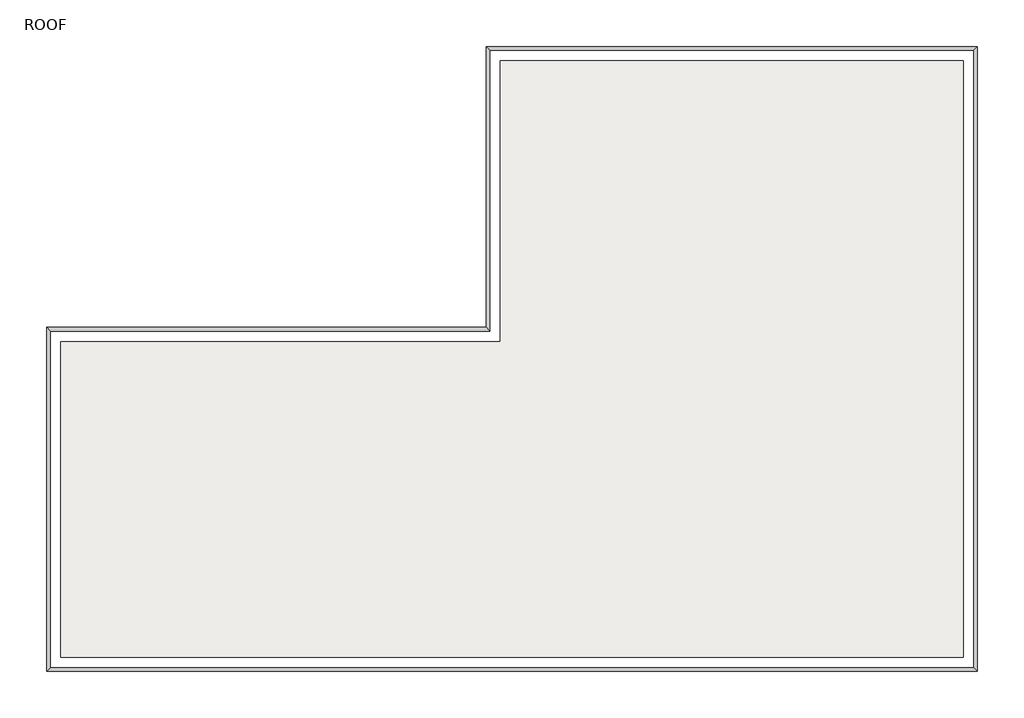
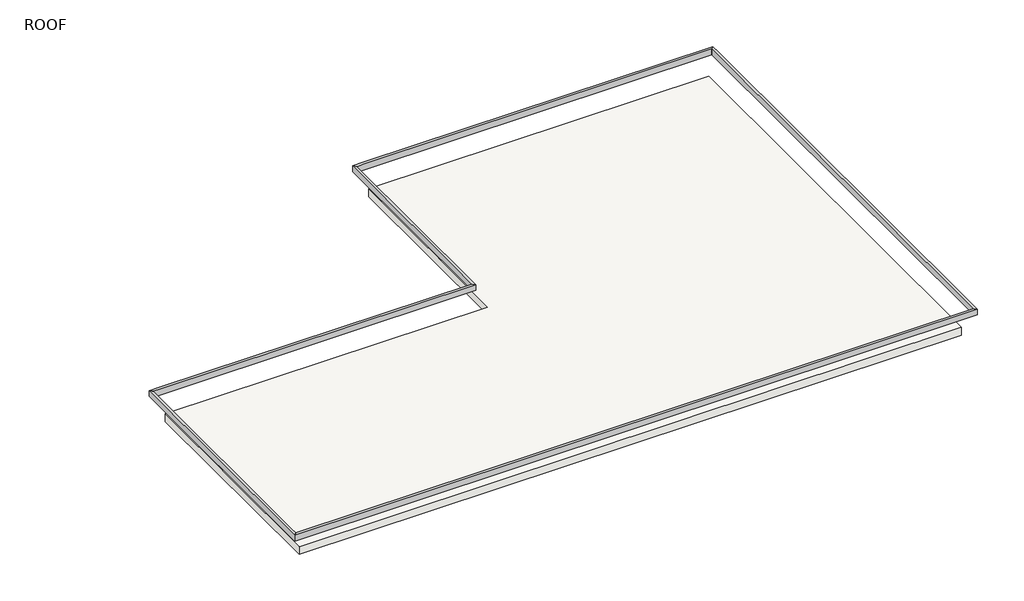
# One storey: 6 proxies, 1 roof.
"""IFC4 building model written with IfcOpenShell, lengths in millimetres."""

from ifc_helpers import new_model, si_unit, frame, origin, place, context, project, spatial, polyline, outline, extrude, faceted_brep, element, save

model = new_model("IFC4")

# Units and contexts
model_context = context("Model", 3, world=origin())
ifc_project = project(units=[si_unit("LENGTHUNIT", "METRE", prefix="MILLI")], contexts=[model_context])

# Site, building, storey
site = spatial("IfcSite", under=ifc_project)
building = spatial("IfcBuilding", under=site)
storey = spatial("IfcBuildingStorey", under=building, Name="ROOF", Elevation=5791.2)

# Proxies
placement = place(None, origin())
element("IfcBuildingElementProxy", 1, Name="Wall Sweeps", at=placement, inside=storey, context=model_context, shape_type="Brep", body=[
    faceted_brep([(6441.8644897, 565.8202768, 6807.2), (6441.8644897, 565.8202768, 6604.0), (6533.9394897, 473.7452768, 6604.0), (6533.9394897, 473.7452768, 6807.2), (18703.7144897, 565.8202768, 6807.2), (18611.6394897, 473.7452768, 6807.2), (18611.6394897, 473.7452768, 6604.0), (18703.7144897, 565.8202768, 6604.0), (6794.2894897, 565.8202768, 6807.2), (6794.2894897, 565.8202768, 6604.0), (6794.2894897, 473.7452768, 6604.0), (6794.2894897, 473.7452768, 6807.2)], [[[0, 1, 2, 3]], [[4, 5, 6, 7]], [[1, 0, 8, 4, 7, 9]], [[2, 1, 9, 7, 6, 10]], [[3, 2, 10, 6, 5, 11]], [[0, 3, 11, 5, 4, 8]]]),
])
element("IfcBuildingElementProxy", 2, Name="Wall Sweeps", at=placement, inside=storey, context=model_context, shape_type="SweptSolid", body=[
    extrude(outline(polyline([(18611.6394897, -14934.5297232), (18703.7144897, -15026.6047232), (-4530.9355103, -15026.6047232), (-4438.8605103, -14934.5297232), (18611.6394897, -14934.5297232)])), frame((0.0, 0.0, 6604.0), z_axis=(0.0, 0.0, 1.0), x_axis=(1.0, 0.0, 0.0)), (0.0, 0.0, 1.0), 203.2),
])
element("IfcBuildingElementProxy", 3, Name="Wall Sweeps", at=placement, inside=storey, context=model_context, shape_type="Brep", body=[
    faceted_brep([(-4530.9355103, -15026.6047232, 6807.2), (-4530.9355103, -15026.6047232, 6604.0), (-4438.8605103, -14934.5297232, 6604.0), (-4438.8605103, -14934.5297232, 6807.2), (-4530.9355103, -6444.5797232, 6807.2), (-4438.8605103, -6536.6547232, 6807.2), (-4438.8605103, -6536.6547232, 6604.0), (-4530.9355103, -6444.5797232, 6604.0), (-4530.9355103, -14674.1797232, 6807.2), (-4530.9355103, -14674.1797232, 6604.0), (-4438.8605103, -14674.1797232, 6604.0), (-4438.8605103, -14674.1797232, 6807.2)], [[[0, 1, 2, 3]], [[4, 5, 6, 7]], [[1, 0, 8, 4, 7, 9]], [[2, 1, 9, 7, 6, 10]], [[3, 2, 10, 6, 5, 11]], [[0, 3, 11, 5, 4, 8]]]),
])
element("IfcBuildingElementProxy", 4, Name="Wall Sweeps", at=placement, inside=storey, context=model_context, shape_type="Brep", body=[
    faceted_brep([(-4530.9355103, -6444.5797232, 6807.2), (-4530.9355103, -6444.5797232, 6604.0), (-4438.8605103, -6536.6547232, 6604.0), (-4438.8605103, -6536.6547232, 6807.2), (6441.8644897, -6444.5797232, 6807.2), (6533.9394897, -6536.6547232, 6807.2), (6533.9394897, -6536.6547232, 6604.0), (6441.8644897, -6444.5797232, 6604.0), (-4178.5105103, -6444.5797232, 6807.2), (-4178.5105103, -6444.5797232, 6604.0), (-4178.5105103, -6536.6547232, 6604.0), (-4178.5105103, -6536.6547232, 6807.2)], [[[0, 1, 2, 3]], [[4, 5, 6, 7]], [[1, 0, 8, 4, 7, 9]], [[2, 1, 9, 7, 6, 10]], [[3, 2, 10, 6, 5, 11]], [[0, 3, 11, 5, 4, 8]]]),
])
element("IfcBuildingElementProxy", 5, Name="Wall Sweeps", at=placement, inside=storey, context=model_context, shape_type="Brep", body=[
    faceted_brep([(6441.8644897, -6444.5797232, 6807.2), (6441.8644897, -6444.5797232, 6604.0), (6533.9394897, -6536.6547232, 6604.0), (6533.9394897, -6536.6547232, 6807.2), (6441.8644897, 565.8202768, 6807.2), (6533.9394897, 473.7452768, 6807.2), (6533.9394897, 473.7452768, 6604.0), (6441.8644897, 565.8202768, 6604.0), (6533.9394897, -6444.5797232, 6807.2), (6533.9394897, -6444.5797232, 6604.0)], [[[0, 1, 2, 3]], [[4, 5, 6, 7]], [[0, 3, 8, 5, 4]], [[3, 2, 9, 6, 5, 8]], [[2, 1, 7, 6, 9]], [[1, 0, 4, 7]]]),
])
element("IfcBuildingElementProxy", 6, Name="Wall Sweeps", at=placement, inside=storey, context=model_context, shape_type="Brep", body=[
    faceted_brep([(18703.7144897, 565.8202768, 6807.2), (18703.7144897, 565.8202768, 6604.0), (18611.6394897, 473.7452768, 6604.0), (18611.6394897, 473.7452768, 6807.2), (18703.7144897, -15026.6047232, 6807.2), (18611.6394897, -14934.5297232, 6807.2), (18611.6394897, -14934.5297232, 6604.0), (18703.7144897, -15026.6047232, 6604.0), (18703.7144897, 213.3952768, 6807.2), (18703.7144897, -14674.1797232, 6807.2), (18703.7144897, -14674.1797232, 6604.0), (18703.7144897, 213.3952768, 6604.0), (18611.6394897, -14674.1797232, 6604.0), (18611.6394897, 213.3952768, 6604.0), (18611.6394897, -14674.1797232, 6807.2), (18611.6394897, 213.3952768, 6807.2)], [[[0, 1, 2, 3]], [[4, 5, 6, 7]], [[1, 0, 8, 9, 4, 7, 10, 11]], [[2, 1, 11, 10, 7, 6, 12, 13]], [[3, 2, 13, 12, 6, 5, 14, 15]], [[0, 3, 15, 14, 5, 4, 9, 8]]]),
])

# Roof
element("IfcRoof", 7, ObjectType="Steel Joist 10\" - Membrane - Insulated", at=placement, inside=storey, context=model_context, shape_type="SweptSolid", body=[
    extrude(outline(polyline([(-4178.5105103, -6797.0047232), (6794.2894897, -6797.0047232), (6794.2894897, 213.3952768), (18351.2894897, 213.3952768), (18351.2894897, -14674.1797232), (-4178.5105103, -14674.1797232), (-4178.5105103, -6797.0047232)])), frame((0.0, 0.0, 5791.2), z_axis=(0.0, 0.0, 1.0), x_axis=(1.0, 0.0, 0.0)), (0.0, 0.0, 1.0), 276.225),
])

save(model, "model.ifc")
